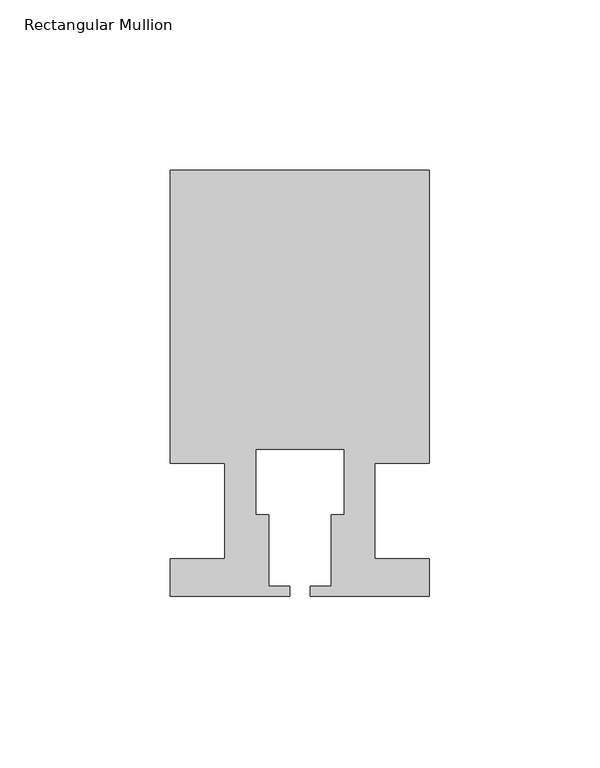
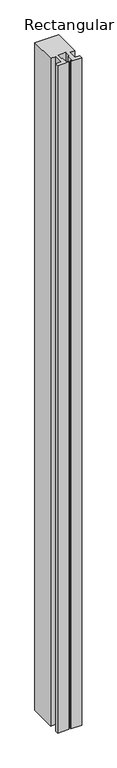
"""IFC4 building model written with IfcOpenShell, lengths in millimetres: member geometry, Rectangular Mullion."""

import ifcopenshell
import ifcopenshell.guid

model = None  # the IFC model being written
_history = None  # IfcOwnerHistory: only IFC2X3 demands one
_inside = {}  # id of a spatial element -> (the spatial element, [elements in it])
_under = {}  # id of a project, library or spatial element -> (it, [spatial elements below it])
_declared = {}  # id of a project -> (the project, [libraries it declares])
_typed = {}  # id of a type object -> (the type object, [elements of that type])
_made_of = {}  # id of a material, layer set ... -> (it, [elements and type objects made of it])


def new_model(schema):
    """Start an empty IFC model of exactly this schema.

    Asked for "IFC4X3", IfcOpenShell would pick the latest addendum, in which some entities
    have other attributes; the version numbers below select the first issue.
    IFC2X3 requires an IfcOwnerHistory on every rooted entity: one is made here for all.
    """
    global model, _history
    if schema == "IFC4X3":
        model = ifcopenshell.file(schema_version=(4, 3, 0, 0))
    else:
        model = ifcopenshell.file(schema=schema)
    _inside.clear()
    _under.clear()
    _declared.clear()
    _typed.clear()
    _made_of.clear()
    _history = None
    if model.schema == "IFC2X3":
        org = make("IfcOrganization", Name="unknown")
        user = make(
            "IfcPersonAndOrganization",
            ThePerson=make("IfcPerson", FamilyName="unknown"),
            TheOrganization=org,
        )
        app = make(
            "IfcApplication",
            ApplicationDeveloper=org,
            Version="unknown",
            ApplicationFullName="unknown",
            ApplicationIdentifier="unknown",
        )
        _history = make(
            "IfcOwnerHistory",
            OwningUser=user,
            OwningApplication=app,
            ChangeAction="ADDED",
            CreationDate=0,
        )
    return model


def make(cls, **values):
    """One entity of the class cls with the attributes given. An attribute that is None is left unset."""
    return model.create_entity(
        cls, **{name: value for name, value in values.items() if value is not None}
    )


def rooted(cls, **values):
    """An entity with a GlobalId (a new one), such as an element, a storey or a relation."""
    return make(cls, GlobalId=ifcopenshell.guid.new(), OwnerHistory=_history, **values)


def si_unit(unit_type, name, prefix=None):
    """IfcSIUnit, for example si_unit("LENGTHUNIT", "METRE", prefix="MILLI")."""
    return make("IfcSIUnit", UnitType=unit_type, Prefix=prefix, Name=name)


def assignment(units):
    """IfcUnitAssignment: the units of a project."""
    return None if units is None else make("IfcUnitAssignment", Units=units)


def point(xyz):
    """IfcCartesianPoint."""
    return None if xyz is None else make("IfcCartesianPoint", Coordinates=xyz)


def direction(xyz):
    """IfcDirection."""
    return None if xyz is None else make("IfcDirection", DirectionRatios=xyz)


def frame(location, z_axis=None, x_axis=None):
    """IfcAxis2Placement3D, a coordinate frame: its origin and axes. An axis left out is left unset."""
    return make(
        "IfcAxis2Placement3D",
        Location=point(location),
        Axis=direction(z_axis),
        RefDirection=direction(x_axis),
    )


def origin():
    """The frame at (0, 0, 0) with its axes left unset."""
    return frame((0.0, 0.0, 0.0))


def place(relative_to, where):
    """IfcLocalPlacement: puts the frame where relative to a parent placement (None: the world)."""
    return make(
        "IfcLocalPlacement", PlacementRelTo=relative_to, RelativePlacement=where
    )


def context(
    kind, dimensions, precision=None, world=None, true_north=None, identifier=None
):
    """IfcGeometricRepresentationContext, for example the 3D "Model" context."""
    return make(
        "IfcGeometricRepresentationContext",
        ContextIdentifier=identifier,
        ContextType=kind,
        CoordinateSpaceDimension=dimensions,
        Precision=precision,
        WorldCoordinateSystem=world,
        TrueNorth=true_north,
    )


def project(units=None, contexts=None):
    """IfcProject with its units and contexts."""
    return rooted(
        "IfcProject",
        Name="project",
        RepresentationContexts=contexts,
        UnitsInContext=assignment(units),
    )


def spatial(cls, under=None, at=None, **own):
    """A site, building, storey or space (cls), placed at a placement, below another one or the project."""
    s = rooted(cls, ObjectPlacement=at, **own)
    if under is not None:
        _under.setdefault(under.id(), (under, []))[1].append(s)
    return s


def polyline(points):
    """IfcPolyline through the points."""
    return make("IfcPolyline", Points=[point(p) for p in points])


def outline(outer, holes=None, kind="AREA"):
    """IfcArbitraryClosedProfileDef: a profile drawn as a closed curve; with holes, ...WithVoids."""
    if holes is None:
        return make("IfcArbitraryClosedProfileDef", ProfileType=kind, OuterCurve=outer)
    return make(
        "IfcArbitraryProfileDefWithVoids",
        ProfileType=kind,
        OuterCurve=outer,
        InnerCurves=holes,
    )


def extrude(swept, where, along, depth):
    """IfcExtrudedAreaSolid: the profile swept, set in the frame where, extruded along a direction by depth."""
    return make(
        "IfcExtrudedAreaSolid",
        SweptArea=swept,
        Position=where,
        ExtrudedDirection=direction(along),
        Depth=depth,
    )


def shape(context_of_items, identifier, shape_type, items):
    """IfcShapeRepresentation: the items that make up one representation, for example the "Body"."""
    return make(
        "IfcShapeRepresentation",
        ContextOfItems=context_of_items,
        RepresentationIdentifier=identifier,
        RepresentationType=shape_type,
        Items=items,
    )


def source(mapping_origin, context_of_items, identifier, shape_type, items):
    """IfcRepresentationMap: a shape defined once, which mapped items show again and again."""
    return make(
        "IfcRepresentationMap",
        MappingOrigin=mapping_origin,
        MappedRepresentation=shape(context_of_items, identifier, shape_type, items),
    )


def transform(
    local_origin,
    x_axis=None,
    y_axis=None,
    z_axis=None,
    scale=None,
    scale2=None,
    scale3=None,
    uniform=True,
):
    """IfcCartesianTransformationOperator3D, or its non-uniform kind. x_axis, y_axis, z_axis: its Axis1, 2, 3."""
    if uniform:
        return make(
            "IfcCartesianTransformationOperator3D",
            Axis1=direction(x_axis),
            Axis2=direction(y_axis),
            LocalOrigin=point(local_origin),
            Scale=scale,
            Axis3=direction(z_axis),
        )
    return make(
        "IfcCartesianTransformationOperator3DnonUniform",
        Axis1=direction(x_axis),
        Axis2=direction(y_axis),
        LocalOrigin=point(local_origin),
        Scale=scale,
        Axis3=direction(z_axis),
        Scale2=scale2,
        Scale3=scale3,
    )


def mapped(mapping_source, mapping_target):
    """IfcMappedItem: shows the shape of a source again, moved by a transform."""
    return make(
        "IfcMappedItem", MappingSource=mapping_source, MappingTarget=mapping_target
    )


def made_of(thing, what):
    """Note that an element or type object is made of a material, layer set ...; save() writes the relation."""
    if what is not None:
        _made_of.setdefault(what.id(), (what, []))[1].append(thing)
    return thing


def element(
    cls,
    number,
    at=None,
    inside=None,
    cuts=None,
    type_object=None,
    material=None,
    context=None,
    identifier="Body",
    shape_type=None,
    held_by="IfcProductDefinitionShape",
    body=None,
    shapes=None,
    **own,
):
    """One element of the class cls, such as IfcWall. Its Tag is "e" and its number.

    at: its placement. inside: the storey or other place that contains it. cuts: it is an
    opening in that element (IfcRelVoidsElement). A single representation is given by context,
    identifier, shape_type and body (its items); several are given by shapes. held_by: the class
    of the entity that holds the representations. save() writes the other relations.
    """
    e = rooted(cls, Tag="e%d" % number, ObjectPlacement=at, **own)
    if body is not None:
        shapes = [shape(context, identifier, shape_type, body)]
    if shapes is not None:
        e.Representation = make(held_by, Representations=shapes)
    if inside is not None:
        _inside.setdefault(inside.id(), (inside, []))[1].append(e)
    if cuts is not None:
        rooted(
            "IfcRelVoidsElement", RelatingBuildingElement=cuts, RelatedOpeningElement=e
        )
    if type_object is not None:
        _typed.setdefault(type_object.id(), (type_object, []))[1].append(e)
    return made_of(e, material)


def aggregate(whole, parts):
    """IfcRelAggregates: a whole, such as a stair, and the parts it consists of."""
    return rooted("IfcRelAggregates", RelatingObject=whole, RelatedObjects=parts)


def save(model, path):
    """Write the relations noted so far, then the file.

    IfcRelAggregates (storeys below a building ...), IfcRelContainedInSpatialStructure (elements
    in a storey), IfcRelDefinesByType, IfcRelAssociatesMaterial and IfcRelDeclares: one each for
    every whole, place, type object, material and project.
    """
    for whole, parts in _under.values():
        aggregate(whole, parts)
    for where, things in _inside.values():
        rooted(
            "IfcRelContainedInSpatialStructure",
            RelatedElements=things,
            RelatingStructure=where,
        )
    for kind, things in _typed.values():
        rooted("IfcRelDefinesByType", RelatedObjects=things, RelatingType=kind)
    for what, things in _made_of.values():
        rooted("IfcRelAssociatesMaterial", RelatedObjects=things, RelatingMaterial=what)
    for by, libraries in _declared.values():
        rooted("IfcRelDeclares", RelatingContext=by, RelatedDefinitions=libraries)
    model.write(path)


def rectangular_mullion_d1533a64(model_context):
    return source(origin(), model_context, "Body", "SweptSolid", [
        extrude(outline(polyline([(37.9999914, 99.9960123), (37.9999914, 13.9960123), (21.9999651, 13.9960123), (21.9999651, -14.0039877), (37.9999896, -14.0039877), (37.9999896, -25.0039877), (2.9999651, -25.0039877), (2.9999651, -22.0039877), (9.1999651, -22.0039877), (9.1999651, -1.0039877), (12.9999651, -1.0039877), (12.9999651, 18.1960075), (-12.9999633, 18.1960075), (-12.9999633, -1.0039877), (-9.1999633, -1.0039877), (-9.1999633, -22.0039877), (-2.9999896, -22.0039877), (-2.9999896, -25.0039877), (-37.9999896, -25.0039877), (-37.9999896, -14.0039877), (-21.9999633, -14.0039877), (-21.9999633, 13.9960123), (-37.9999896, 13.9960123), (-37.9999896, 99.9960123), (37.9999914, 99.9960123)])), frame((0.0, 0.0, -2232.0199255), z_axis=(0.0, 0.0, 1.0), x_axis=(1.0, 0.0, 0.0)), (0.0, 0.0, 1.0), 2232.0199255),
    ])


if __name__ == "__main__":
    model = new_model("IFC4")
    model_context = context("Model", 3, world=origin())
    ifc_project = project(units=[si_unit("LENGTHUNIT", "METRE", prefix="MILLI")], contexts=[model_context])
    site = spatial("IfcSite", under=ifc_project)
    building = spatial("IfcBuilding", under=site)
    placement = place(None, origin())
    rectangular_mullion_shape = rectangular_mullion_d1533a64(model_context)
    element("IfcMember", 1, ObjectType="Rectangular Mullion", at=placement, inside=building, context=model_context, shape_type="MappedRepresentation", body=[
        mapped(rectangular_mullion_shape, transform((0.0, 0.0, 0.0), x_axis=(1.0, 0.0, 0.0), y_axis=(0.0, 1.0, 0.0), z_axis=(0.0, 0.0, 1.0))),
    ])
    save(model, "model.ifc")
